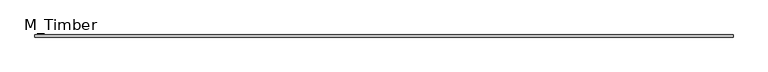
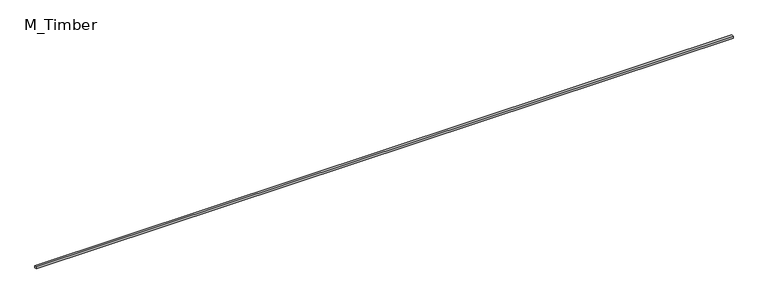
"""IFC4 building model written with IfcOpenShell, lengths in millimetres: beam geometry, M_Timber."""

import ifcopenshell
import ifcopenshell.guid

model = None  # the IFC model being written
_history = None  # IfcOwnerHistory: only IFC2X3 demands one
_inside = {}  # id of a spatial element -> (the spatial element, [elements in it])
_under = {}  # id of a project, library or spatial element -> (it, [spatial elements below it])
_declared = {}  # id of a project -> (the project, [libraries it declares])
_typed = {}  # id of a type object -> (the type object, [elements of that type])
_made_of = {}  # id of a material, layer set ... -> (it, [elements and type objects made of it])


def new_model(schema):
    """Start an empty IFC model of exactly this schema.

    Asked for "IFC4X3", IfcOpenShell would pick the latest addendum, in which some entities
    have other attributes; the version numbers below select the first issue.
    IFC2X3 requires an IfcOwnerHistory on every rooted entity: one is made here for all.
    """
    global model, _history
    if schema == "IFC4X3":
        model = ifcopenshell.file(schema_version=(4, 3, 0, 0))
    else:
        model = ifcopenshell.file(schema=schema)
    _inside.clear()
    _under.clear()
    _declared.clear()
    _typed.clear()
    _made_of.clear()
    _history = None
    if model.schema == "IFC2X3":
        org = make("IfcOrganization", Name="unknown")
        user = make(
            "IfcPersonAndOrganization",
            ThePerson=make("IfcPerson", FamilyName="unknown"),
            TheOrganization=org,
        )
        app = make(
            "IfcApplication",
            ApplicationDeveloper=org,
            Version="unknown",
            ApplicationFullName="unknown",
            ApplicationIdentifier="unknown",
        )
        _history = make(
            "IfcOwnerHistory",
            OwningUser=user,
            OwningApplication=app,
            ChangeAction="ADDED",
            CreationDate=0,
        )
    return model


def make(cls, **values):
    """One entity of the class cls with the attributes given. An attribute that is None is left unset."""
    return model.create_entity(
        cls, **{name: value for name, value in values.items() if value is not None}
    )


def rooted(cls, **values):
    """An entity with a GlobalId (a new one), such as an element, a storey or a relation."""
    return make(cls, GlobalId=ifcopenshell.guid.new(), OwnerHistory=_history, **values)


def si_unit(unit_type, name, prefix=None):
    """IfcSIUnit, for example si_unit("LENGTHUNIT", "METRE", prefix="MILLI")."""
    return make("IfcSIUnit", UnitType=unit_type, Prefix=prefix, Name=name)


def assignment(units):
    """IfcUnitAssignment: the units of a project."""
    return None if units is None else make("IfcUnitAssignment", Units=units)


def point(xyz):
    """IfcCartesianPoint."""
    return None if xyz is None else make("IfcCartesianPoint", Coordinates=xyz)


def direction(xyz):
    """IfcDirection."""
    return None if xyz is None else make("IfcDirection", DirectionRatios=xyz)


def frame(location, z_axis=None, x_axis=None):
    """IfcAxis2Placement3D, a coordinate frame: its origin and axes. An axis left out is left unset."""
    return make(
        "IfcAxis2Placement3D",
        Location=point(location),
        Axis=direction(z_axis),
        RefDirection=direction(x_axis),
    )


def origin():
    """The frame at (0, 0, 0) with its axes left unset."""
    return frame((0.0, 0.0, 0.0))


def place(relative_to, where):
    """IfcLocalPlacement: puts the frame where relative to a parent placement (None: the world)."""
    return make(
        "IfcLocalPlacement", PlacementRelTo=relative_to, RelativePlacement=where
    )


def context(
    kind, dimensions, precision=None, world=None, true_north=None, identifier=None
):
    """IfcGeometricRepresentationContext, for example the 3D "Model" context."""
    return make(
        "IfcGeometricRepresentationContext",
        ContextIdentifier=identifier,
        ContextType=kind,
        CoordinateSpaceDimension=dimensions,
        Precision=precision,
        WorldCoordinateSystem=world,
        TrueNorth=true_north,
    )


def project(units=None, contexts=None):
    """IfcProject with its units and contexts."""
    return rooted(
        "IfcProject",
        Name="project",
        RepresentationContexts=contexts,
        UnitsInContext=assignment(units),
    )


def spatial(cls, under=None, at=None, **own):
    """A site, building, storey or space (cls), placed at a placement, below another one or the project."""
    s = rooted(cls, ObjectPlacement=at, **own)
    if under is not None:
        _under.setdefault(under.id(), (under, []))[1].append(s)
    return s


def polyline(points):
    """IfcPolyline through the points."""
    return make("IfcPolyline", Points=[point(p) for p in points])


def outline(outer, holes=None, kind="AREA"):
    """IfcArbitraryClosedProfileDef: a profile drawn as a closed curve; with holes, ...WithVoids."""
    if holes is None:
        return make("IfcArbitraryClosedProfileDef", ProfileType=kind, OuterCurve=outer)
    return make(
        "IfcArbitraryProfileDefWithVoids",
        ProfileType=kind,
        OuterCurve=outer,
        InnerCurves=holes,
    )


def extrude(swept, where, along, depth):
    """IfcExtrudedAreaSolid: the profile swept, set in the frame where, extruded along a direction by depth."""
    return make(
        "IfcExtrudedAreaSolid",
        SweptArea=swept,
        Position=where,
        ExtrudedDirection=direction(along),
        Depth=depth,
    )


def shape(context_of_items, identifier, shape_type, items):
    """IfcShapeRepresentation: the items that make up one representation, for example the "Body"."""
    return make(
        "IfcShapeRepresentation",
        ContextOfItems=context_of_items,
        RepresentationIdentifier=identifier,
        RepresentationType=shape_type,
        Items=items,
    )


def source(mapping_origin, context_of_items, identifier, shape_type, items):
    """IfcRepresentationMap: a shape defined once, which mapped items show again and again."""
    return make(
        "IfcRepresentationMap",
        MappingOrigin=mapping_origin,
        MappedRepresentation=shape(context_of_items, identifier, shape_type, items),
    )


def transform(
    local_origin,
    x_axis=None,
    y_axis=None,
    z_axis=None,
    scale=None,
    scale2=None,
    scale3=None,
    uniform=True,
):
    """IfcCartesianTransformationOperator3D, or its non-uniform kind. x_axis, y_axis, z_axis: its Axis1, 2, 3."""
    if uniform:
        return make(
            "IfcCartesianTransformationOperator3D",
            Axis1=direction(x_axis),
            Axis2=direction(y_axis),
            LocalOrigin=point(local_origin),
            Scale=scale,
            Axis3=direction(z_axis),
        )
    return make(
        "IfcCartesianTransformationOperator3DnonUniform",
        Axis1=direction(x_axis),
        Axis2=direction(y_axis),
        LocalOrigin=point(local_origin),
        Scale=scale,
        Axis3=direction(z_axis),
        Scale2=scale2,
        Scale3=scale3,
    )


def mapped(mapping_source, mapping_target):
    """IfcMappedItem: shows the shape of a source again, moved by a transform."""
    return make(
        "IfcMappedItem", MappingSource=mapping_source, MappingTarget=mapping_target
    )


def made_of(thing, what):
    """Note that an element or type object is made of a material, layer set ...; save() writes the relation."""
    if what is not None:
        _made_of.setdefault(what.id(), (what, []))[1].append(thing)
    return thing


def element(
    cls,
    number,
    at=None,
    inside=None,
    cuts=None,
    type_object=None,
    material=None,
    context=None,
    identifier="Body",
    shape_type=None,
    held_by="IfcProductDefinitionShape",
    body=None,
    shapes=None,
    **own,
):
    """One element of the class cls, such as IfcWall. Its Tag is "e" and its number.

    at: its placement. inside: the storey or other place that contains it. cuts: it is an
    opening in that element (IfcRelVoidsElement). A single representation is given by context,
    identifier, shape_type and body (its items); several are given by shapes. held_by: the class
    of the entity that holds the representations. save() writes the other relations.
    """
    e = rooted(cls, Tag="e%d" % number, ObjectPlacement=at, **own)
    if body is not None:
        shapes = [shape(context, identifier, shape_type, body)]
    if shapes is not None:
        e.Representation = make(held_by, Representations=shapes)
    if inside is not None:
        _inside.setdefault(inside.id(), (inside, []))[1].append(e)
    if cuts is not None:
        rooted(
            "IfcRelVoidsElement", RelatingBuildingElement=cuts, RelatedOpeningElement=e
        )
    if type_object is not None:
        _typed.setdefault(type_object.id(), (type_object, []))[1].append(e)
    return made_of(e, material)


def aggregate(whole, parts):
    """IfcRelAggregates: a whole, such as a stair, and the parts it consists of."""
    return rooted("IfcRelAggregates", RelatingObject=whole, RelatedObjects=parts)


def save(model, path):
    """Write the relations noted so far, then the file.

    IfcRelAggregates (storeys below a building ...), IfcRelContainedInSpatialStructure (elements
    in a storey), IfcRelDefinesByType, IfcRelAssociatesMaterial and IfcRelDeclares: one each for
    every whole, place, type object, material and project.
    """
    for whole, parts in _under.values():
        aggregate(whole, parts)
    for where, things in _inside.values():
        rooted(
            "IfcRelContainedInSpatialStructure",
            RelatedElements=things,
            RelatingStructure=where,
        )
    for kind, things in _typed.values():
        rooted("IfcRelDefinesByType", RelatedObjects=things, RelatingType=kind)
    for what, things in _made_of.values():
        rooted("IfcRelAssociatesMaterial", RelatedObjects=things, RelatingMaterial=what)
    for by, libraries in _declared.values():
        rooted("IfcRelDeclares", RelatingContext=by, RelatedDefinitions=libraries)
    model.write(path)


def m_timber_55c3d0a2(model_context):
    return source(origin(), model_context, "Body", "SweptSolid", [
        extrude(outline(polyline([(6543.7519631, 20.0), (6543.7519631, -20.0), (-6543.7519631, -20.0), (-6543.7519631, 20.0), (6543.7519631, 20.0)])), frame((0.0, 0.0, -20.0), z_axis=(0.0, 0.0, 1.0), x_axis=(1.0, 0.0, 0.0)), (0.0, 0.0, 1.0), 40.0),
    ])


if __name__ == "__main__":
    model = new_model("IFC4")
    model_context = context("Model", 3, world=origin())
    ifc_project = project(units=[si_unit("LENGTHUNIT", "METRE", prefix="MILLI")], contexts=[model_context])
    site = spatial("IfcSite", under=ifc_project)
    building = spatial("IfcBuilding", under=site)
    placement = place(None, origin())
    m_timber_shape = m_timber_55c3d0a2(model_context)
    element("IfcBeam", 1, ObjectType="M_Timber", at=placement, inside=building, context=model_context, shape_type="MappedRepresentation", body=[
        mapped(m_timber_shape, transform((0.0, 0.0, 0.0), x_axis=(1.0, 0.0, 0.0), y_axis=(0.0, 1.0, 0.0), z_axis=(0.0, 0.0, 1.0))),
    ])
    save(model, "model.ifc")
